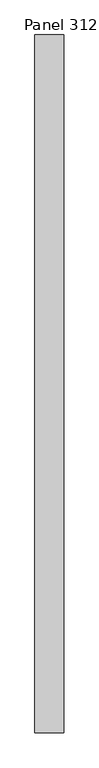
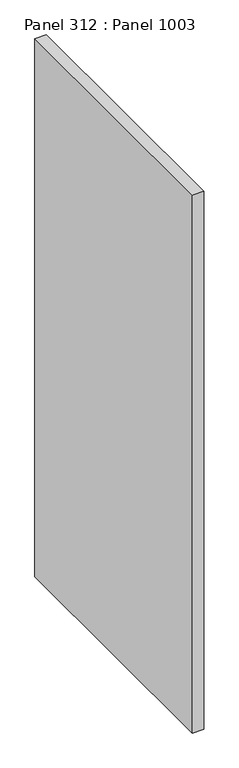
"""IFC4 building model written with IfcOpenShell, lengths in millimetres: proxy geometry, Panel 312 : Panel 1003."""

from ifc_helpers import new_model, si_unit, frame, origin, place, context, project, spatial, polyline, outline, extrude, source, transform, mapped, element, save


def panel_312_panel_1003_03d875cb(model_context):
    return source(origin(), model_context, "Body", "SweptSolid", [
        extrude(outline(polyline([(39817.4759994, 336205.7854601), (39767.4759573, 336205.7854597), (39767.4760004, 337405.7854328), (39817.4760425, 337405.7854332), (39817.4759994, 336205.7854601)])), frame((0.0, 0.0, 34575.0), z_axis=(0.0, 0.0, 1.0), x_axis=(1.0, 0.0, 0.0)), (0.0, 0.0, 1.0), 2500.0),
    ])


if __name__ == "__main__":
    model = new_model("IFC4")
    model_context = context("Model", 3, world=origin())
    ifc_project = project(units=[si_unit("LENGTHUNIT", "METRE", prefix="MILLI")], contexts=[model_context])
    site = spatial("IfcSite", under=ifc_project)
    building = spatial("IfcBuilding", under=site)
    placement = place(None, origin())
    panel_312_panel_1003_shape = panel_312_panel_1003_03d875cb(model_context)
    element("IfcBuildingElementProxy", 1, Name="Panel 312 : Panel 1003", ObjectType="Panel 312 : Panel 1003", at=placement, inside=building, context=model_context, shape_type="MappedRepresentation", body=[
        mapped(panel_312_panel_1003_shape, transform((0.0, 0.0, 0.0), x_axis=(1.0, 0.0, 0.0), y_axis=(0.0, 1.0, 0.0), z_axis=(0.0, 0.0, 1.0))),
    ])
    save(model, "model.ifc")
